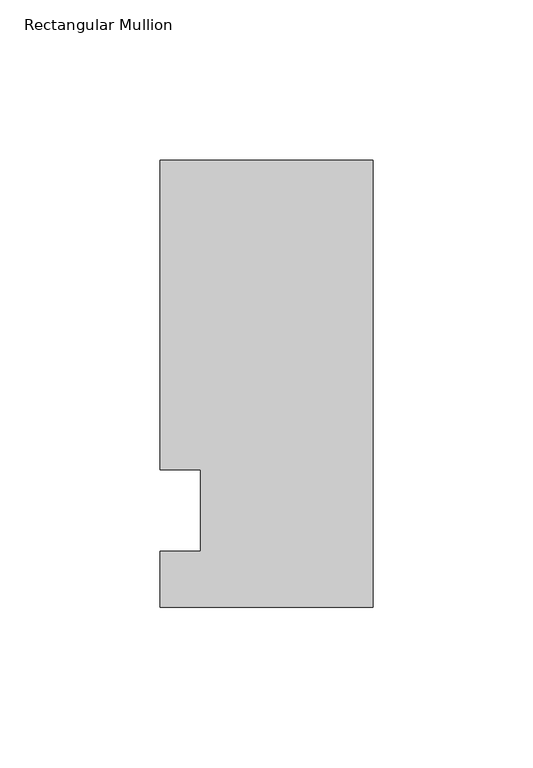
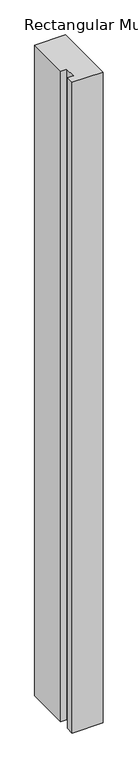
"""IFC4 building model written with IfcOpenShell, lengths in millimetres: member geometry, Rectangular Mullion."""

import ifcopenshell
import ifcopenshell.guid

model = None  # the IFC model being written
_history = None  # IfcOwnerHistory: only IFC2X3 demands one
_inside = {}  # id of a spatial element -> (the spatial element, [elements in it])
_under = {}  # id of a project, library or spatial element -> (it, [spatial elements below it])
_declared = {}  # id of a project -> (the project, [libraries it declares])
_typed = {}  # id of a type object -> (the type object, [elements of that type])
_made_of = {}  # id of a material, layer set ... -> (it, [elements and type objects made of it])


def new_model(schema):
    """Start an empty IFC model of exactly this schema.

    Asked for "IFC4X3", IfcOpenShell would pick the latest addendum, in which some entities
    have other attributes; the version numbers below select the first issue.
    IFC2X3 requires an IfcOwnerHistory on every rooted entity: one is made here for all.
    """
    global model, _history
    if schema == "IFC4X3":
        model = ifcopenshell.file(schema_version=(4, 3, 0, 0))
    else:
        model = ifcopenshell.file(schema=schema)
    _inside.clear()
    _under.clear()
    _declared.clear()
    _typed.clear()
    _made_of.clear()
    _history = None
    if model.schema == "IFC2X3":
        org = make("IfcOrganization", Name="unknown")
        user = make(
            "IfcPersonAndOrganization",
            ThePerson=make("IfcPerson", FamilyName="unknown"),
            TheOrganization=org,
        )
        app = make(
            "IfcApplication",
            ApplicationDeveloper=org,
            Version="unknown",
            ApplicationFullName="unknown",
            ApplicationIdentifier="unknown",
        )
        _history = make(
            "IfcOwnerHistory",
            OwningUser=user,
            OwningApplication=app,
            ChangeAction="ADDED",
            CreationDate=0,
        )
    return model


def make(cls, **values):
    """One entity of the class cls with the attributes given. An attribute that is None is left unset."""
    return model.create_entity(
        cls, **{name: value for name, value in values.items() if value is not None}
    )


def rooted(cls, **values):
    """An entity with a GlobalId (a new one), such as an element, a storey or a relation."""
    return make(cls, GlobalId=ifcopenshell.guid.new(), OwnerHistory=_history, **values)


def si_unit(unit_type, name, prefix=None):
    """IfcSIUnit, for example si_unit("LENGTHUNIT", "METRE", prefix="MILLI")."""
    return make("IfcSIUnit", UnitType=unit_type, Prefix=prefix, Name=name)


def assignment(units):
    """IfcUnitAssignment: the units of a project."""
    return None if units is None else make("IfcUnitAssignment", Units=units)


def point(xyz):
    """IfcCartesianPoint."""
    return None if xyz is None else make("IfcCartesianPoint", Coordinates=xyz)


def direction(xyz):
    """IfcDirection."""
    return None if xyz is None else make("IfcDirection", DirectionRatios=xyz)


def frame(location, z_axis=None, x_axis=None):
    """IfcAxis2Placement3D, a coordinate frame: its origin and axes. An axis left out is left unset."""
    return make(
        "IfcAxis2Placement3D",
        Location=point(location),
        Axis=direction(z_axis),
        RefDirection=direction(x_axis),
    )


def origin():
    """The frame at (0, 0, 0) with its axes left unset."""
    return frame((0.0, 0.0, 0.0))


def place(relative_to, where):
    """IfcLocalPlacement: puts the frame where relative to a parent placement (None: the world)."""
    return make(
        "IfcLocalPlacement", PlacementRelTo=relative_to, RelativePlacement=where
    )


def context(
    kind, dimensions, precision=None, world=None, true_north=None, identifier=None
):
    """IfcGeometricRepresentationContext, for example the 3D "Model" context."""
    return make(
        "IfcGeometricRepresentationContext",
        ContextIdentifier=identifier,
        ContextType=kind,
        CoordinateSpaceDimension=dimensions,
        Precision=precision,
        WorldCoordinateSystem=world,
        TrueNorth=true_north,
    )


def project(units=None, contexts=None):
    """IfcProject with its units and contexts."""
    return rooted(
        "IfcProject",
        Name="project",
        RepresentationContexts=contexts,
        UnitsInContext=assignment(units),
    )


def spatial(cls, under=None, at=None, **own):
    """A site, building, storey or space (cls), placed at a placement, below another one or the project."""
    s = rooted(cls, ObjectPlacement=at, **own)
    if under is not None:
        _under.setdefault(under.id(), (under, []))[1].append(s)
    return s


def polyline(points):
    """IfcPolyline through the points."""
    return make("IfcPolyline", Points=[point(p) for p in points])


def outline(outer, holes=None, kind="AREA"):
    """IfcArbitraryClosedProfileDef: a profile drawn as a closed curve; with holes, ...WithVoids."""
    if holes is None:
        return make("IfcArbitraryClosedProfileDef", ProfileType=kind, OuterCurve=outer)
    return make(
        "IfcArbitraryProfileDefWithVoids",
        ProfileType=kind,
        OuterCurve=outer,
        InnerCurves=holes,
    )


def extrude(swept, where, along, depth):
    """IfcExtrudedAreaSolid: the profile swept, set in the frame where, extruded along a direction by depth."""
    return make(
        "IfcExtrudedAreaSolid",
        SweptArea=swept,
        Position=where,
        ExtrudedDirection=direction(along),
        Depth=depth,
    )


def shape(context_of_items, identifier, shape_type, items):
    """IfcShapeRepresentation: the items that make up one representation, for example the "Body"."""
    return make(
        "IfcShapeRepresentation",
        ContextOfItems=context_of_items,
        RepresentationIdentifier=identifier,
        RepresentationType=shape_type,
        Items=items,
    )


def source(mapping_origin, context_of_items, identifier, shape_type, items):
    """IfcRepresentationMap: a shape defined once, which mapped items show again and again."""
    return make(
        "IfcRepresentationMap",
        MappingOrigin=mapping_origin,
        MappedRepresentation=shape(context_of_items, identifier, shape_type, items),
    )


def transform(
    local_origin,
    x_axis=None,
    y_axis=None,
    z_axis=None,
    scale=None,
    scale2=None,
    scale3=None,
    uniform=True,
):
    """IfcCartesianTransformationOperator3D, or its non-uniform kind. x_axis, y_axis, z_axis: its Axis1, 2, 3."""
    if uniform:
        return make(
            "IfcCartesianTransformationOperator3D",
            Axis1=direction(x_axis),
            Axis2=direction(y_axis),
            LocalOrigin=point(local_origin),
            Scale=scale,
            Axis3=direction(z_axis),
        )
    return make(
        "IfcCartesianTransformationOperator3DnonUniform",
        Axis1=direction(x_axis),
        Axis2=direction(y_axis),
        LocalOrigin=point(local_origin),
        Scale=scale,
        Axis3=direction(z_axis),
        Scale2=scale2,
        Scale3=scale3,
    )


def mapped(mapping_source, mapping_target):
    """IfcMappedItem: shows the shape of a source again, moved by a transform."""
    return make(
        "IfcMappedItem", MappingSource=mapping_source, MappingTarget=mapping_target
    )


def made_of(thing, what):
    """Note that an element or type object is made of a material, layer set ...; save() writes the relation."""
    if what is not None:
        _made_of.setdefault(what.id(), (what, []))[1].append(thing)
    return thing


def element(
    cls,
    number,
    at=None,
    inside=None,
    cuts=None,
    type_object=None,
    material=None,
    context=None,
    identifier="Body",
    shape_type=None,
    held_by="IfcProductDefinitionShape",
    body=None,
    shapes=None,
    **own,
):
    """One element of the class cls, such as IfcWall. Its Tag is "e" and its number.

    at: its placement. inside: the storey or other place that contains it. cuts: it is an
    opening in that element (IfcRelVoidsElement). A single representation is given by context,
    identifier, shape_type and body (its items); several are given by shapes. held_by: the class
    of the entity that holds the representations. save() writes the other relations.
    """
    e = rooted(cls, Tag="e%d" % number, ObjectPlacement=at, **own)
    if body is not None:
        shapes = [shape(context, identifier, shape_type, body)]
    if shapes is not None:
        e.Representation = make(held_by, Representations=shapes)
    if inside is not None:
        _inside.setdefault(inside.id(), (inside, []))[1].append(e)
    if cuts is not None:
        rooted(
            "IfcRelVoidsElement", RelatingBuildingElement=cuts, RelatedOpeningElement=e
        )
    if type_object is not None:
        _typed.setdefault(type_object.id(), (type_object, []))[1].append(e)
    return made_of(e, material)


def aggregate(whole, parts):
    """IfcRelAggregates: a whole, such as a stair, and the parts it consists of."""
    return rooted("IfcRelAggregates", RelatingObject=whole, RelatedObjects=parts)


def save(model, path):
    """Write the relations noted so far, then the file.

    IfcRelAggregates (storeys below a building ...), IfcRelContainedInSpatialStructure (elements
    in a storey), IfcRelDefinesByType, IfcRelAssociatesMaterial and IfcRelDeclares: one each for
    every whole, place, type object, material and project.
    """
    for whole, parts in _under.values():
        aggregate(whole, parts)
    for where, things in _inside.values():
        rooted(
            "IfcRelContainedInSpatialStructure",
            RelatedElements=things,
            RelatingStructure=where,
        )
    for kind, things in _typed.values():
        rooted("IfcRelDefinesByType", RelatedObjects=things, RelatingType=kind)
    for what, things in _made_of.values():
        rooted("IfcRelAssociatesMaterial", RelatedObjects=things, RelatingMaterial=what)
    for by, libraries in _declared.values():
        rooted("IfcRelDeclares", RelatingContext=by, RelatedDefinitions=libraries)
    model.write(path)


def rectangular_mullion_cb59d982(model_context):
    return source(origin(), model_context, "Body", "SweptSolid", [
        extrude(outline(polyline([(-66.675, 109.5375), (0.0, 109.5375), (0.0, -30.1625), (-66.675, -30.1625), (-66.675, -12.7), (-53.9732296, -12.7), (-53.9732296, 12.7), (-66.675, 12.7), (-66.675, 109.5375)])), frame((0.0, 0.0, -1478.28), z_axis=(0.0, 0.0, 1.0), x_axis=(1.0, 0.0, 0.0)), (0.0, 0.0, 1.0), 1478.28),
    ])


if __name__ == "__main__":
    model = new_model("IFC4")
    model_context = context("Model", 3, world=origin())
    ifc_project = project(units=[si_unit("LENGTHUNIT", "METRE", prefix="MILLI")], contexts=[model_context])
    site = spatial("IfcSite", under=ifc_project)
    building = spatial("IfcBuilding", under=site)
    placement = place(None, origin())
    rectangular_mullion_shape = rectangular_mullion_cb59d982(model_context)
    element("IfcMember", 1, ObjectType="Rectangular Mullion", at=placement, inside=building, context=model_context, shape_type="MappedRepresentation", body=[
        mapped(rectangular_mullion_shape, transform((0.0, 0.0, 0.0), x_axis=(1.0, 0.0, 0.0), y_axis=(0.0, 1.0, 0.0), z_axis=(0.0, 0.0, 1.0))),
    ])
    save(model, "model.ifc")
